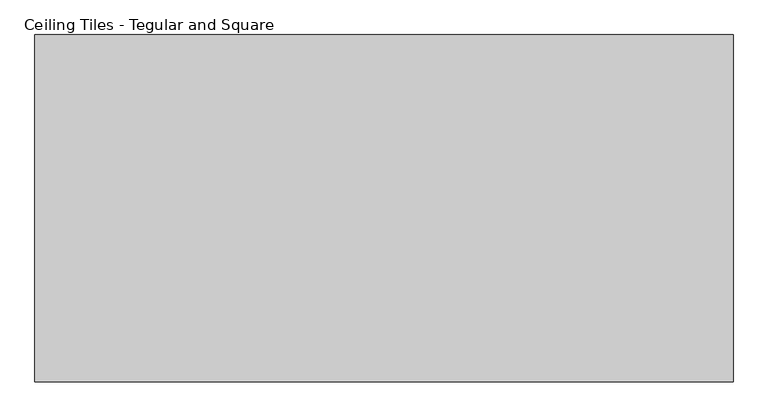
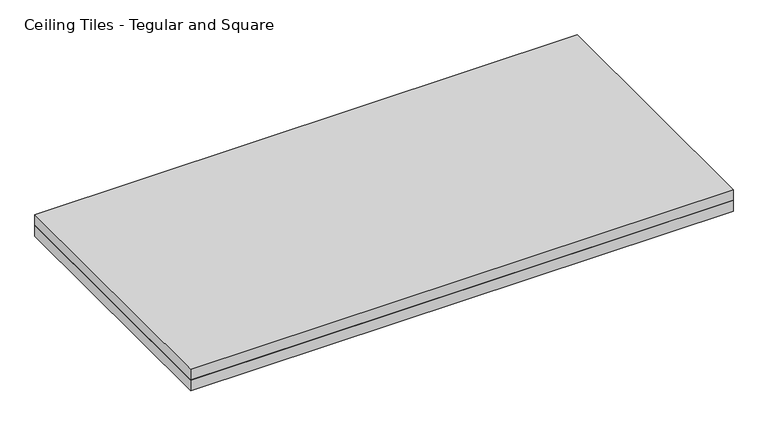
"""IFC4 building model written with IfcOpenShell, lengths in millimetres: proxy geometry, Ceiling Tiles - Tegular and Square."""

from ifc_helpers import new_model, si_unit, frame, origin, origin_with_axes, place, context, project, spatial, polyline, outline, extrude, source, transform, mapped, element, save


def ceiling_tiles_tegular_and_square_f12fcbfb(model_context):
    return source(origin(), model_context, "Body", "SweptSolid", [
        extrude(outline(polyline([(606.425, 301.625), (606.425, -301.625), (-606.425, -301.625), (-606.425, 301.625), (606.425, 301.625)])), origin_with_axes(), (0.0, 0.0, 1.0), 25.4),
        extrude(outline(polyline([(-606.425, 301.625), (606.425, 301.625), (606.425, -301.625), (-606.425, -301.625), (-606.425, 301.625)])), frame((0.0, 0.0, 25.4), z_axis=(0.0, 0.0, 1.0), x_axis=(1.0, 0.0, 0.0)), (0.0, 0.0, 1.0), 25.4),
    ])


if __name__ == "__main__":
    model = new_model("IFC4")
    model_context = context("Model", 3, world=origin())
    ifc_project = project(units=[si_unit("LENGTHUNIT", "METRE", prefix="MILLI")], contexts=[model_context])
    site = spatial("IfcSite", under=ifc_project)
    building = spatial("IfcBuilding", under=site)
    placement = place(None, origin())
    ceiling_tiles_tegular_and_square_shape = ceiling_tiles_tegular_and_square_f12fcbfb(model_context)
    element("IfcBuildingElementProxy", 1, Name="Ceiling Tiles - Tegular and Square", ObjectType="Ceiling Tiles - Tegular and Square", at=placement, inside=building, context=model_context, shape_type="MappedRepresentation", body=[
        mapped(ceiling_tiles_tegular_and_square_shape, transform((0.0, 0.0, 0.0), x_axis=(1.0, 0.0, 0.0), y_axis=(0.0, 1.0, 0.0), z_axis=(0.0, 0.0, 1.0))),
    ])
    save(model, "model.ifc")
